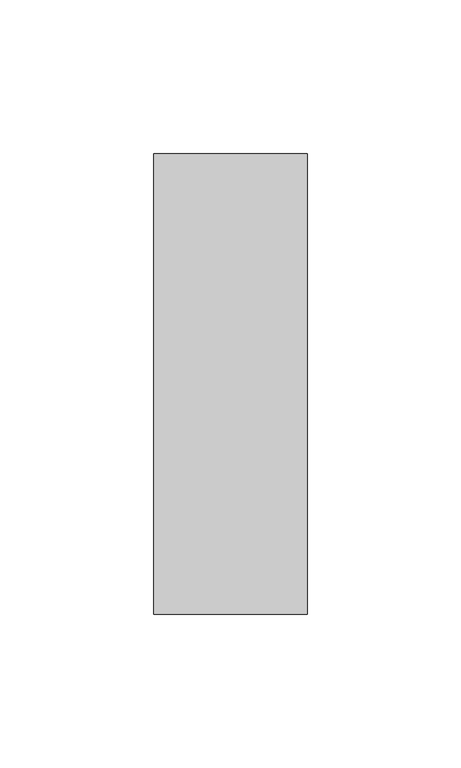
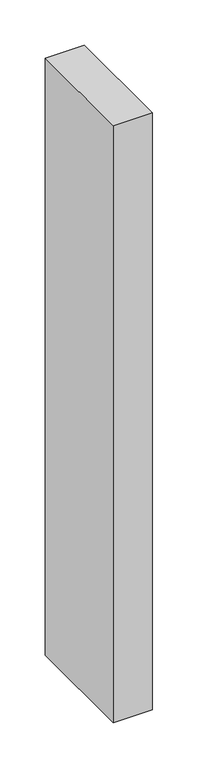
"""IFC4 building model written with IfcOpenShell, lengths in millimetres: member geometry."""

from ifc_helpers import new_model, si_unit, frame, origin, place, context, project, spatial, polyline, outline, extrude, source, transform, mapped, element, save


def member_a7f54e58(model_context):
    return source(origin(), model_context, "Body", "SweptSolid", [
        extrude(outline(polyline([(0.0, 75.0), (0.0, -75.0), (-50.0, -75.0), (-50.0, 75.0), (0.0, 75.0)])), frame((0.0, 0.0, -805.0), z_axis=(0.0, 0.0, 1.0), x_axis=(1.0, 0.0, 0.0)), (0.0, 0.0, 1.0), 805.0),
    ])


if __name__ == "__main__":
    model = new_model("IFC4")
    model_context = context("Model", 3, world=origin())
    ifc_project = project(units=[si_unit("LENGTHUNIT", "METRE", prefix="MILLI")], contexts=[model_context])
    site = spatial("IfcSite", under=ifc_project)
    building = spatial("IfcBuilding", under=site)
    placement = place(None, origin())
    member_shape = member_a7f54e58(model_context)
    element("IfcMember", 1, at=placement, inside=building, context=model_context, shape_type="MappedRepresentation", body=[
        mapped(member_shape, transform((0.0, 0.0, 0.0), x_axis=(1.0, 0.0, 0.0), y_axis=(0.0, 1.0, 0.0), z_axis=(0.0, 0.0, 1.0))),
    ])
    save(model, "model.ifc")
